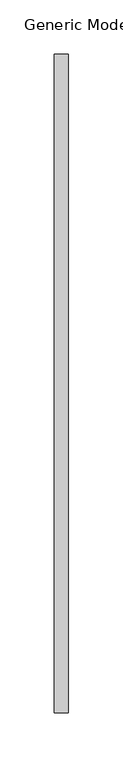
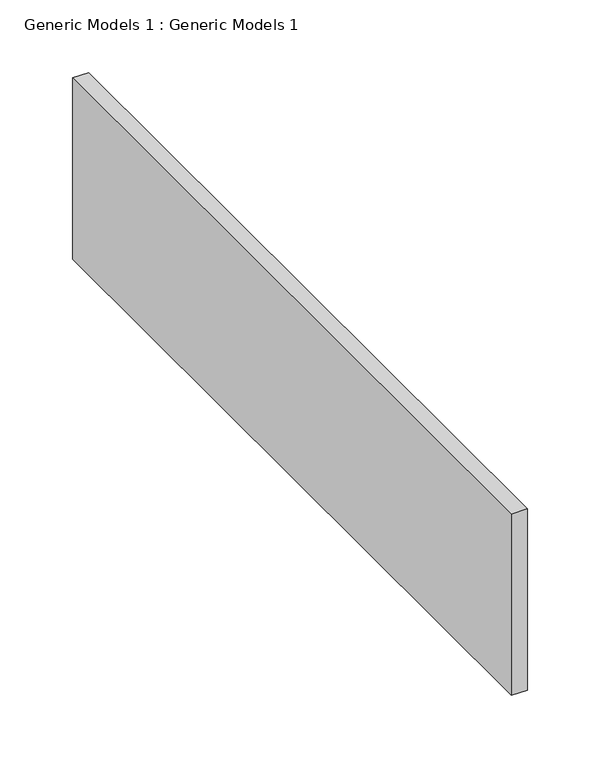
"""IFC4 building model written with IfcOpenShell, lengths in millimetres: proxy geometry, Generic Models 1 : Generic Models 1."""

from ifc_helpers import new_model, si_unit, frame, origin, place, context, project, spatial, polyline, outline, extrude, source, transform, mapped, element, save


def generic_models_1_generic_models_1_8593a781(model_context):
    return source(origin(), model_context, "Body", "SweptSolid", [
        extrude(outline(polyline([(-10172.8073603, 482.8376285), (-10172.8073603, 1087.6751285), (-10160.1073603, 1087.6751285), (-10160.1073603, 482.8376285), (-10172.8073603, 482.8376285)])), frame((0.0, 0.0, 913.8489486), z_axis=(0.0, 0.0, 1.0), x_axis=(1.0, 0.0, 0.0)), (0.0, 0.0, 1.0), 152.4),
    ])


if __name__ == "__main__":
    model = new_model("IFC4")
    model_context = context("Model", 3, world=origin())
    ifc_project = project(units=[si_unit("LENGTHUNIT", "METRE", prefix="MILLI")], contexts=[model_context])
    site = spatial("IfcSite", under=ifc_project)
    building = spatial("IfcBuilding", under=site)
    placement = place(None, origin())
    generic_models_1_generic_models_1_shape = generic_models_1_generic_models_1_8593a781(model_context)
    element("IfcBuildingElementProxy", 1, Name="Generic Models 1 : Generic Models 1", ObjectType="Generic Models 1 : Generic Models 1", at=placement, inside=building, context=model_context, shape_type="MappedRepresentation", body=[
        mapped(generic_models_1_generic_models_1_shape, transform((0.0, 0.0, 0.0), x_axis=(1.0, 0.0, 0.0), y_axis=(0.0, 1.0, 0.0), z_axis=(0.0, 0.0, 1.0))),
    ])
    save(model, "model.ifc")
